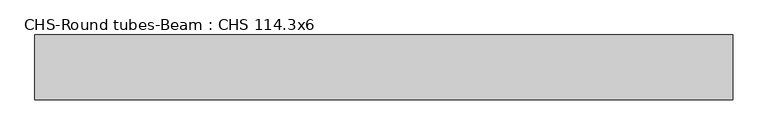
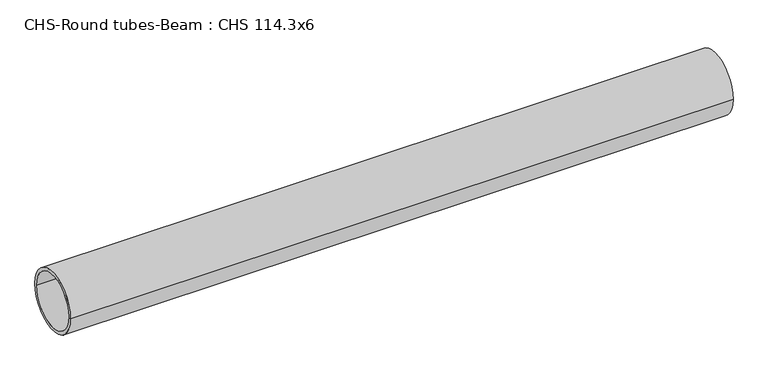
"""IFC4 building model written with IfcOpenShell, lengths in millimetres: beam geometry, CHS-Round tubes-Beam : CHS 114.3x6."""

from ifc_helpers import new_model, si_unit, point, frame, origin, origin_2d, place, context, project, spatial, circle_curve, trimmed, segment, composite_curve, outline, extrude, source, transform, mapped, element, save


def chs_round_tubes_beam_chs_114_3x6_b7957ee6(model_context):
    return source(origin(), model_context, "Body", "SweptSolid", [
        extrude(outline(composite_curve([segment(trimmed(circle_curve(origin_2d(), 57.15), [point((57.15, 0.0))], [point((-57.15, 0.0))], False, "CARTESIAN"), True, "CONTINUOUS"), segment(trimmed(circle_curve(origin_2d(), 57.15), [point((-57.15, 0.0))], [point((57.15, 0.0))], False, "CARTESIAN"), True, "CONTINUOUS")], self_intersect=False), holes=[composite_curve([segment(trimmed(circle_curve(origin_2d(), 51.15), [point((51.15, 0.0))], [point((-51.15, 0.0))], True, "CARTESIAN"), True, "CONTINUOUS"), segment(trimmed(circle_curve(origin_2d(), 51.15), [point((-51.15, 0.0))], [point((51.15, 0.0))], True, "CARTESIAN"), True, "CONTINUOUS")], self_intersect=False)]), frame((-618.6481633, 0.0, 0.0), z_axis=(1.0, 0.0, 0.0), x_axis=(0.0, 1.0, 0.0)), (0.0, 0.0, 1.0), 1232.5569689),
    ])


if __name__ == "__main__":
    model = new_model("IFC4")
    model_context = context("Model", 3, world=origin())
    ifc_project = project(units=[si_unit("LENGTHUNIT", "METRE", prefix="MILLI")], contexts=[model_context])
    site = spatial("IfcSite", under=ifc_project)
    building = spatial("IfcBuilding", under=site)
    placement = place(None, origin())
    chs_round_tubes_beam_chs_114_3x6_shape = chs_round_tubes_beam_chs_114_3x6_b7957ee6(model_context)
    element("IfcBeam", 1, ObjectType="CHS-Round tubes-Beam : CHS 114.3x6", at=placement, inside=building, context=model_context, shape_type="MappedRepresentation", body=[
        mapped(chs_round_tubes_beam_chs_114_3x6_shape, transform((0.0, 0.0, 0.0), x_axis=(1.0, 0.0, 0.0), y_axis=(0.0, 1.0, 0.0), z_axis=(0.0, 0.0, 1.0))),
    ])
    save(model, "model.ifc")
